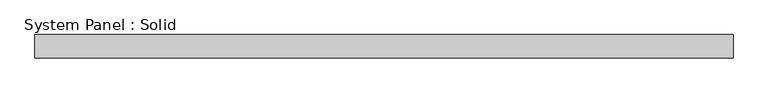
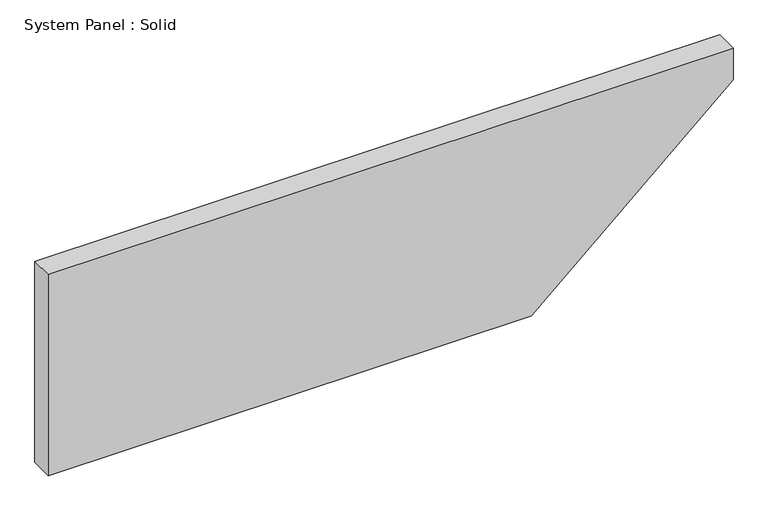
"""IFC4 building model written with IfcOpenShell, lengths in millimetres: plate geometry, System Panel : Solid."""

from ifc_helpers import new_model, si_unit, frame, origin, place, context, project, spatial, polyline, outline, extrude, source, transform, mapped, element, save


def system_panel_solid_523ca284(model_context):
    return source(origin(), model_context, "Body", "SweptSolid", [
        extrude(outline(polyline([(0.0, -895.5), (0.0, 367.1660993), (468.7353163, 895.5), (556.2568418, 895.5), (556.2568418, -895.5), (0.0, -895.5)])), frame((0.0, -10.5, 0.0), z_axis=(0.0, 1.0, 0.0), x_axis=(0.0, 0.0, 1.0)), (0.0, 0.0, 1.0), 60.0),
    ])


if __name__ == "__main__":
    model = new_model("IFC4")
    model_context = context("Model", 3, world=origin())
    ifc_project = project(units=[si_unit("LENGTHUNIT", "METRE", prefix="MILLI")], contexts=[model_context])
    site = spatial("IfcSite", under=ifc_project)
    building = spatial("IfcBuilding", under=site)
    placement = place(None, origin())
    system_panel_solid_shape = system_panel_solid_523ca284(model_context)
    element("IfcPlate", 1, ObjectType="System Panel : Solid", at=placement, inside=building, context=model_context, shape_type="MappedRepresentation", body=[
        mapped(system_panel_solid_shape, transform((0.0, 0.0, 0.0), x_axis=(1.0, 0.0, 0.0), y_axis=(0.0, 1.0, 0.0), z_axis=(0.0, 0.0, 1.0))),
    ])
    save(model, "model.ifc")
